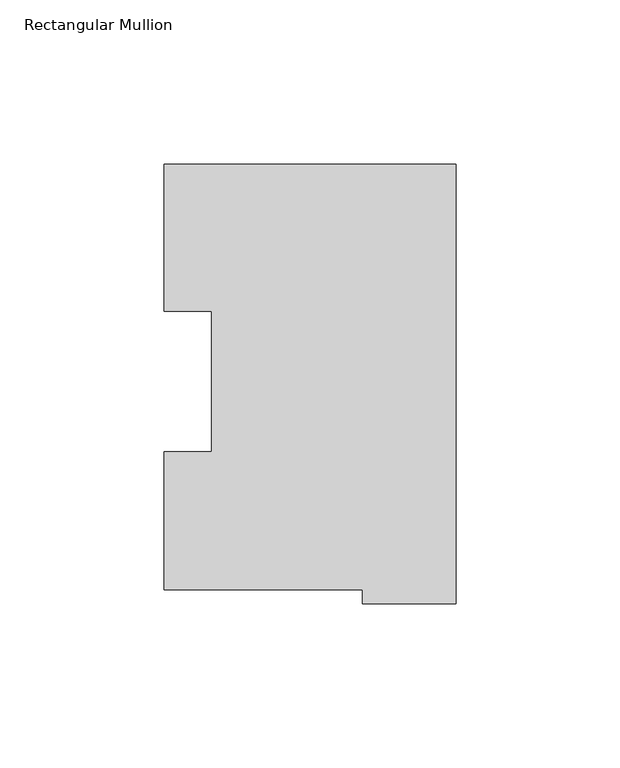
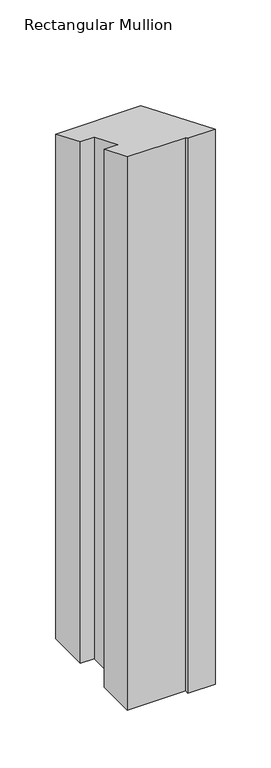
"""IFC4 building model written with IfcOpenShell, lengths in millimetres: member geometry, Rectangular Mullion."""

from ifc_helpers import new_model, si_unit, origin, place, context, project, spatial, faceted_brep, source, transform, mapped, element, save


def rectangular_mullion_25b0427e(model_context):
    return source(origin(), model_context, "Body", "Brep", [
        faceted_brep([(-28.56992, 0.2428875, -609.6), (-89.1408142, 0.2428875, -609.6), (-89.1408142, 42.2798875, -609.6), (-74.6252, 42.2798875, -609.6), (-74.6252, 85.1296875, -609.6), (-88.99652, 85.1296875, -609.6), (-88.99652, 130.0368875, -609.6), (0.0, 130.0368875, -609.6), (0.0, -3.9735125, -609.6), (-28.56992, -3.9735125, -609.6), (-28.56992, -3.9735125, 1.6458828), (-28.56992, 0.2428875, -0.1006073), (0.0, -3.9735125, 1.6458828), (0.0, 130.0368875, -53.8630424), (-88.99652, 130.0368875, -53.8630424), (-88.99652, 85.1296875, -35.2618711), (-74.6252, 85.1296875, -35.2618711), (-74.6252, 42.2798875, -17.5129028), (-89.1408142, 42.2798875, -17.5129028), (-89.1408142, 0.2428875, -0.1006073)], [[[0, 1, 2, 3, 4, 5, 6, 7, 8, 9]], [[10, 11, 0, 9]], [[12, 10, 9, 8]], [[13, 12, 8, 7]], [[14, 13, 7, 6]], [[15, 14, 6, 5]], [[16, 15, 5, 4]], [[17, 16, 4, 3]], [[18, 17, 3, 2]], [[19, 18, 2, 1]], [[11, 19, 1, 0]], [[11, 10, 12, 13, 14, 15, 16, 17, 18, 19]]]),
    ])


if __name__ == "__main__":
    model = new_model("IFC4")
    model_context = context("Model", 3, world=origin())
    ifc_project = project(units=[si_unit("LENGTHUNIT", "METRE", prefix="MILLI")], contexts=[model_context])
    site = spatial("IfcSite", under=ifc_project)
    building = spatial("IfcBuilding", under=site)
    placement = place(None, origin())
    rectangular_mullion_shape = rectangular_mullion_25b0427e(model_context)
    element("IfcMember", 1, ObjectType="Rectangular Mullion", at=placement, inside=building, context=model_context, shape_type="MappedRepresentation", body=[
        mapped(rectangular_mullion_shape, transform((0.0, 0.0, 0.0), x_axis=(1.0, 0.0, 0.0), y_axis=(0.0, 1.0, 0.0), z_axis=(0.0, 0.0, 1.0))),
    ])
    save(model, "model.ifc")
